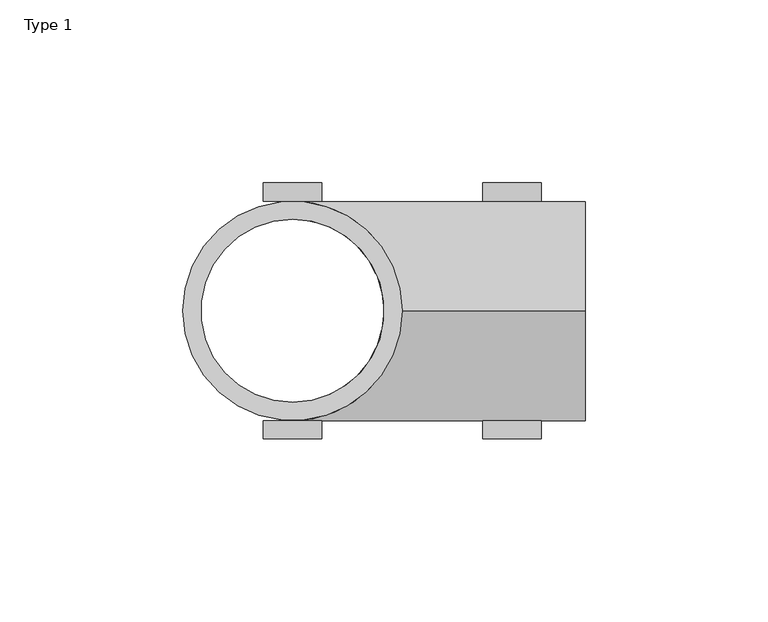
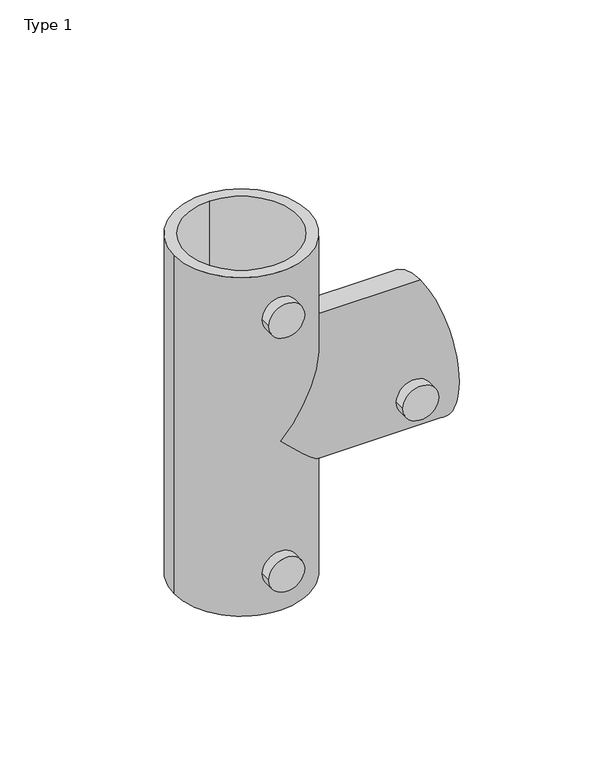
"""IFC4 building model written with IfcOpenShell, lengths in millimetres: proxy geometry, Type 1."""

import ifcopenshell
import ifcopenshell.guid

model = None  # the IFC model being written
_history = None  # IfcOwnerHistory: only IFC2X3 demands one
_inside = {}  # id of a spatial element -> (the spatial element, [elements in it])
_under = {}  # id of a project, library or spatial element -> (it, [spatial elements below it])
_declared = {}  # id of a project -> (the project, [libraries it declares])
_typed = {}  # id of a type object -> (the type object, [elements of that type])
_made_of = {}  # id of a material, layer set ... -> (it, [elements and type objects made of it])


def new_model(schema):
    """Start an empty IFC model of exactly this schema.

    Asked for "IFC4X3", IfcOpenShell would pick the latest addendum, in which some entities
    have other attributes; the version numbers below select the first issue.
    IFC2X3 requires an IfcOwnerHistory on every rooted entity: one is made here for all.
    """
    global model, _history
    if schema == "IFC4X3":
        model = ifcopenshell.file(schema_version=(4, 3, 0, 0))
    else:
        model = ifcopenshell.file(schema=schema)
    _inside.clear()
    _under.clear()
    _declared.clear()
    _typed.clear()
    _made_of.clear()
    _history = None
    if model.schema == "IFC2X3":
        org = make("IfcOrganization", Name="unknown")
        user = make(
            "IfcPersonAndOrganization",
            ThePerson=make("IfcPerson", FamilyName="unknown"),
            TheOrganization=org,
        )
        app = make(
            "IfcApplication",
            ApplicationDeveloper=org,
            Version="unknown",
            ApplicationFullName="unknown",
            ApplicationIdentifier="unknown",
        )
        _history = make(
            "IfcOwnerHistory",
            OwningUser=user,
            OwningApplication=app,
            ChangeAction="ADDED",
            CreationDate=0,
        )
    return model


def make(cls, **values):
    """One entity of the class cls with the attributes given. An attribute that is None is left unset."""
    return model.create_entity(
        cls, **{name: value for name, value in values.items() if value is not None}
    )


def rooted(cls, **values):
    """An entity with a GlobalId (a new one), such as an element, a storey or a relation."""
    return make(cls, GlobalId=ifcopenshell.guid.new(), OwnerHistory=_history, **values)


def si_unit(unit_type, name, prefix=None):
    """IfcSIUnit, for example si_unit("LENGTHUNIT", "METRE", prefix="MILLI")."""
    return make("IfcSIUnit", UnitType=unit_type, Prefix=prefix, Name=name)


def assignment(units):
    """IfcUnitAssignment: the units of a project."""
    return None if units is None else make("IfcUnitAssignment", Units=units)


def point(xyz):
    """IfcCartesianPoint."""
    return None if xyz is None else make("IfcCartesianPoint", Coordinates=xyz)


def direction(xyz):
    """IfcDirection."""
    return None if xyz is None else make("IfcDirection", DirectionRatios=xyz)


def frame(location, z_axis=None, x_axis=None):
    """IfcAxis2Placement3D, a coordinate frame: its origin and axes. An axis left out is left unset."""
    return make(
        "IfcAxis2Placement3D",
        Location=point(location),
        Axis=direction(z_axis),
        RefDirection=direction(x_axis),
    )


def frame_2d(location, x_axis=None):
    """IfcAxis2Placement2D, a coordinate frame in the plane: its origin and x axis."""
    return make(
        "IfcAxis2Placement2D", Location=point(location), RefDirection=direction(x_axis)
    )


def origin():
    """The frame at (0, 0, 0) with its axes left unset."""
    return frame((0.0, 0.0, 0.0))


def origin_with_axes():
    """The frame at (0, 0, 0) with the z axis (0, 0, 1) and the x axis (1, 0, 0) written out."""
    return frame((0.0, 0.0, 0.0), z_axis=(0.0, 0.0, 1.0), x_axis=(1.0, 0.0, 0.0))


def place(relative_to, where):
    """IfcLocalPlacement: puts the frame where relative to a parent placement (None: the world)."""
    return make(
        "IfcLocalPlacement", PlacementRelTo=relative_to, RelativePlacement=where
    )


def context(
    kind, dimensions, precision=None, world=None, true_north=None, identifier=None
):
    """IfcGeometricRepresentationContext, for example the 3D "Model" context."""
    return make(
        "IfcGeometricRepresentationContext",
        ContextIdentifier=identifier,
        ContextType=kind,
        CoordinateSpaceDimension=dimensions,
        Precision=precision,
        WorldCoordinateSystem=world,
        TrueNorth=true_north,
    )


def project(units=None, contexts=None):
    """IfcProject with its units and contexts."""
    return rooted(
        "IfcProject",
        Name="project",
        RepresentationContexts=contexts,
        UnitsInContext=assignment(units),
    )


def spatial(cls, under=None, at=None, **own):
    """A site, building, storey or space (cls), placed at a placement, below another one or the project."""
    s = rooted(cls, ObjectPlacement=at, **own)
    if under is not None:
        _under.setdefault(under.id(), (under, []))[1].append(s)
    return s


def polyline(points):
    """IfcPolyline through the points."""
    return make("IfcPolyline", Points=[point(p) for p in points])


def circle_curve(where, radius):
    """IfcCircle in the frame where."""
    return make("IfcCircle", Position=where, Radius=radius)


def ellipse_curve(where, semi_axis1, semi_axis2):
    """IfcEllipse in the frame where."""
    return make(
        "IfcEllipse", Position=where, SemiAxis1=semi_axis1, SemiAxis2=semi_axis2
    )


def trimmed(basis, trim1, trim2, sense, master):
    """IfcTrimmedCurve: the piece of a basis curve between two trims."""
    return make(
        "IfcTrimmedCurve",
        BasisCurve=basis,
        Trim1=trim1,
        Trim2=trim2,
        SenseAgreement=sense,
        MasterRepresentation=master,
    )


def segment(curve, same_sense, transition):
    """IfcCompositeCurveSegment."""
    return make(
        "IfcCompositeCurveSegment",
        Transition=transition,
        SameSense=same_sense,
        ParentCurve=curve,
    )


def composite_curve(segments, self_intersect=None):
    """IfcCompositeCurve: segments joined end to end."""
    return make("IfcCompositeCurve", Segments=segments, SelfIntersect=self_intersect)


def outline(outer, holes=None, kind="AREA"):
    """IfcArbitraryClosedProfileDef: a profile drawn as a closed curve; with holes, ...WithVoids."""
    if holes is None:
        return make("IfcArbitraryClosedProfileDef", ProfileType=kind, OuterCurve=outer)
    return make(
        "IfcArbitraryProfileDefWithVoids",
        ProfileType=kind,
        OuterCurve=outer,
        InnerCurves=holes,
    )


def extrude(swept, where, along, depth):
    """IfcExtrudedAreaSolid: the profile swept, set in the frame where, extruded along a direction by depth."""
    return make(
        "IfcExtrudedAreaSolid",
        SweptArea=swept,
        Position=where,
        ExtrudedDirection=direction(along),
        Depth=depth,
    )


def shape(context_of_items, identifier, shape_type, items):
    """IfcShapeRepresentation: the items that make up one representation, for example the "Body"."""
    return make(
        "IfcShapeRepresentation",
        ContextOfItems=context_of_items,
        RepresentationIdentifier=identifier,
        RepresentationType=shape_type,
        Items=items,
    )


def source(mapping_origin, context_of_items, identifier, shape_type, items):
    """IfcRepresentationMap: a shape defined once, which mapped items show again and again."""
    return make(
        "IfcRepresentationMap",
        MappingOrigin=mapping_origin,
        MappedRepresentation=shape(context_of_items, identifier, shape_type, items),
    )


def transform(
    local_origin,
    x_axis=None,
    y_axis=None,
    z_axis=None,
    scale=None,
    scale2=None,
    scale3=None,
    uniform=True,
):
    """IfcCartesianTransformationOperator3D, or its non-uniform kind. x_axis, y_axis, z_axis: its Axis1, 2, 3."""
    if uniform:
        return make(
            "IfcCartesianTransformationOperator3D",
            Axis1=direction(x_axis),
            Axis2=direction(y_axis),
            LocalOrigin=point(local_origin),
            Scale=scale,
            Axis3=direction(z_axis),
        )
    return make(
        "IfcCartesianTransformationOperator3DnonUniform",
        Axis1=direction(x_axis),
        Axis2=direction(y_axis),
        LocalOrigin=point(local_origin),
        Scale=scale,
        Axis3=direction(z_axis),
        Scale2=scale2,
        Scale3=scale3,
    )


def mapped(mapping_source, mapping_target):
    """IfcMappedItem: shows the shape of a source again, moved by a transform."""
    return make(
        "IfcMappedItem", MappingSource=mapping_source, MappingTarget=mapping_target
    )


def made_of(thing, what):
    """Note that an element or type object is made of a material, layer set ...; save() writes the relation."""
    if what is not None:
        _made_of.setdefault(what.id(), (what, []))[1].append(thing)
    return thing


def element(
    cls,
    number,
    at=None,
    inside=None,
    cuts=None,
    type_object=None,
    material=None,
    context=None,
    identifier="Body",
    shape_type=None,
    held_by="IfcProductDefinitionShape",
    body=None,
    shapes=None,
    **own,
):
    """One element of the class cls, such as IfcWall. Its Tag is "e" and its number.

    at: its placement. inside: the storey or other place that contains it. cuts: it is an
    opening in that element (IfcRelVoidsElement). A single representation is given by context,
    identifier, shape_type and body (its items); several are given by shapes. held_by: the class
    of the entity that holds the representations. save() writes the other relations.
    """
    e = rooted(cls, Tag="e%d" % number, ObjectPlacement=at, **own)
    if body is not None:
        shapes = [shape(context, identifier, shape_type, body)]
    if shapes is not None:
        e.Representation = make(held_by, Representations=shapes)
    if inside is not None:
        _inside.setdefault(inside.id(), (inside, []))[1].append(e)
    if cuts is not None:
        rooted(
            "IfcRelVoidsElement", RelatingBuildingElement=cuts, RelatedOpeningElement=e
        )
    if type_object is not None:
        _typed.setdefault(type_object.id(), (type_object, []))[1].append(e)
    return made_of(e, material)


def aggregate(whole, parts):
    """IfcRelAggregates: a whole, such as a stair, and the parts it consists of."""
    return rooted("IfcRelAggregates", RelatingObject=whole, RelatedObjects=parts)


def save(model, path):
    """Write the relations noted so far, then the file.

    IfcRelAggregates (storeys below a building ...), IfcRelContainedInSpatialStructure (elements
    in a storey), IfcRelDefinesByType, IfcRelAssociatesMaterial and IfcRelDeclares: one each for
    every whole, place, type object, material and project.
    """
    for whole, parts in _under.values():
        aggregate(whole, parts)
    for where, things in _inside.values():
        rooted(
            "IfcRelContainedInSpatialStructure",
            RelatedElements=things,
            RelatingStructure=where,
        )
    for kind, things in _typed.values():
        rooted("IfcRelDefinesByType", RelatedObjects=things, RelatingType=kind)
    for what, things in _made_of.values():
        rooted("IfcRelAssociatesMaterial", RelatedObjects=things, RelatingMaterial=what)
    for by, libraries in _declared.values():
        rooted("IfcRelDeclares", RelatingContext=by, RelatedDefinitions=libraries)
    model.write(path)


def plane_surface(at):
    """IfcPlane: the flat surface through the origin of the frame at, square to its z axis."""
    return make("IfcPlane", Position=at)


def cylinder_surface(at, radius):
    """IfcCylindricalSurface: all points at the distance radius from the z axis of the frame at."""
    return make("IfcCylindricalSurface", Position=at, Radius=radius)


def revolved_surface(curve, axis_point, axis_direction):
    """IfcSurfaceOfRevolution: the curve turned about the line through axis_point along axis_direction."""
    return make(
        "IfcSurfaceOfRevolution",
        SweptCurve=make("IfcArbitraryOpenProfileDef", ProfileType="CURVE", Curve=curve),
        AxisPosition=make("IfcAxis1Placement", Location=point(axis_point), Axis=direction(axis_direction)),
    )


def advanced_brep(points, edges, surfaces, faces):
    """IfcAdvancedBrep: a solid bounded by faces that lie on surfaces and meet in shared edges.

    An edge is (start, end): straight between two places in points (the first is 0);
    or (start, end, curve); or (start, end, curve, False) where it runs against its curve.
    A face is (place in surfaces, loops), or (place, loops, False) where it looks against
    its surface's normal. A loop lists edges by number (the first is 1), with a minus sign
    where the edge is run from its end to its start. The first loop is the outer one.
    """
    corners = [point(p) for p in points]
    vertices = [make("IfcVertexPoint", VertexGeometry=c) for c in corners]
    made = []
    for start, end, *more in edges:
        made.append(
            make(
                "IfcEdgeCurve",
                EdgeStart=vertices[start],
                EdgeEnd=vertices[end],
                EdgeGeometry=more[0] if more else make("IfcPolyline", Points=[corners[start], corners[end]]),
                SameSense=more[1] if len(more) > 1 else True,
            )
        )
    hull = []
    for where, loops, *sense in faces:
        bounds = []
        for j, loop in enumerate(loops):
            ring = [make("IfcOrientedEdge", EdgeElement=made[abs(k) - 1], Orientation=k > 0) for k in loop]
            bounds.append(
                make(
                    "IfcFaceOuterBound" if j == 0 else "IfcFaceBound",
                    Bound=make("IfcEdgeLoop", EdgeList=ring),
                    Orientation=True,
                )
            )
        hull.append(make("IfcAdvancedFace", Bounds=bounds, FaceSurface=surfaces[where], SameSense=sense[0] if sense else True))
    return make("IfcAdvancedBrep", Outer=make("IfcClosedShell", CfsFaces=hull))


def type_1_07108955(model_context):
    return source(origin(), model_context, "Body", "SolidModel", [
        extrude(outline(composite_curve([segment(trimmed(circle_curve(frame_2d((140.0, 0.0)), 8.0), [point((140.0, -8.0))], [point((140.0, 8.0))], False, "CARTESIAN"), True, "CONTINUOUS"), segment(trimmed(circle_curve(frame_2d((140.0, 0.0)), 8.0), [point((140.0, 8.0))], [point((140.0, -8.0))], False, "CARTESIAN"), True, "CONTINUOUS")], self_intersect=False)), frame((0.0, 30.0, 0.0), z_axis=(0.0, 1.0, 0.0), x_axis=(0.0, 0.0, 1.0)), (0.0, 0.0, 1.0), 5.0),
        extrude(outline(composite_curve([segment(trimmed(circle_curve(frame_2d((80.0, 60.0)), 8.0), [point((80.0, 52.0))], [point((80.0, 68.0))], False, "CARTESIAN"), True, "CONTINUOUS"), segment(trimmed(circle_curve(frame_2d((80.0, 60.0)), 8.0), [point((80.0, 68.0))], [point((80.0, 52.0))], False, "CARTESIAN"), True, "CONTINUOUS")], self_intersect=False)), frame((0.0, 30.0, 0.0), z_axis=(0.0, 1.0, 0.0), x_axis=(0.0, 0.0, 1.0)), (0.0, 0.0, 1.0), 5.0),
        extrude(outline(composite_curve([segment(trimmed(circle_curve(frame_2d((20.0, 0.0)), 8.0), [point((20.0, -8.0))], [point((20.0, 8.0))], False, "CARTESIAN"), True, "CONTINUOUS"), segment(trimmed(circle_curve(frame_2d((20.0, 0.0)), 8.0), [point((20.0, 8.0))], [point((20.0, -8.0))], False, "CARTESIAN"), True, "CONTINUOUS")], self_intersect=False)), frame((0.0, 30.0, 0.0), z_axis=(0.0, 1.0, 0.0), x_axis=(0.0, 0.0, 1.0)), (0.0, 0.0, 1.0), 5.0),
        extrude(outline(composite_curve([segment(trimmed(circle_curve(frame_2d((140.0, 0.0)), 8.0), [point((140.0, -8.0))], [point((140.0, 8.0))], False, "CARTESIAN"), True, "CONTINUOUS"), segment(trimmed(circle_curve(frame_2d((140.0, 0.0)), 8.0), [point((140.0, 8.0))], [point((140.0, -8.0))], False, "CARTESIAN"), True, "CONTINUOUS")], self_intersect=False)), frame((0.0, -35.0, 0.0), z_axis=(0.0, 1.0, 0.0), x_axis=(0.0, 0.0, 1.0)), (0.0, 0.0, 1.0), 5.0),
        extrude(outline(composite_curve([segment(trimmed(circle_curve(frame_2d((80.0, 60.0)), 8.0), [point((80.0, 52.0))], [point((80.0, 68.0))], False, "CARTESIAN"), True, "CONTINUOUS"), segment(trimmed(circle_curve(frame_2d((80.0, 60.0)), 8.0), [point((80.0, 68.0))], [point((80.0, 52.0))], False, "CARTESIAN"), True, "CONTINUOUS")], self_intersect=False)), frame((0.0, -35.0, 0.0), z_axis=(0.0, 1.0, 0.0), x_axis=(0.0, 0.0, 1.0)), (0.0, 0.0, 1.0), 5.0),
        extrude(outline(composite_curve([segment(trimmed(circle_curve(frame_2d((20.0, 0.0)), 8.0), [point((20.0, -8.0))], [point((20.0, 8.0))], False, "CARTESIAN"), True, "CONTINUOUS"), segment(trimmed(circle_curve(frame_2d((20.0, 0.0)), 8.0), [point((20.0, 8.0))], [point((20.0, -8.0))], False, "CARTESIAN"), True, "CONTINUOUS")], self_intersect=False)), frame((0.0, -35.0, 0.0), z_axis=(0.0, 1.0, 0.0), x_axis=(0.0, 0.0, 1.0)), (0.0, 0.0, 1.0), 5.0),
        advanced_brep(
        [(-30.0, 0.0, 160.0), (30.0, 0.0, 160.0), (0.0, -25.0, 160.0), (0.0, 25.0, 160.0), (-30.0, 0.0, 0.0), (30.0, 0.0, 0.0), (0.0, 25.0, 0.0), (0.0, -25.0, 0.0), (30.0, 0.0, 50.0), (0.0, -30.0, 80.0), (30.0, 0.0, 110.0), (0.0, 30.0, 80.0), (80.0, 0.0, 110.0), (80.0, 0.0, 50.0), (80.0, 0.0, 105.0), (80.0, 0.0, 55.0), (25.0, 0.0, 105.0), (0.0, 25.0, 80.0), (25.0, 0.0, 55.0), (0.0, -25.0, 80.0)],
        [
            (0, 1, circle_curve(frame((0.0, 0.0, 160.0), z_axis=(0.0, 0.0, 1.0), x_axis=(1.0, 0.0, 0.0)), 30.0)),
            (1, 0, circle_curve(frame((0.0, 0.0, 160.0), z_axis=(0.0, 0.0, 1.0), x_axis=(1.0, 0.0, 0.0)), 30.0)),
            (2, 3, circle_curve(frame((0.0, 0.0, 160.0), z_axis=(0.0, 0.0, -1.0), x_axis=(0.0, 1.0, 0.0)), 25.0)),
            (3, 2, circle_curve(frame((0.0, 0.0, 160.0), z_axis=(0.0, 0.0, -1.0), x_axis=(0.0, 1.0, 0.0)), 25.0)),
            (4, 5, circle_curve(frame((0.0, 0.0, 0.0), z_axis=(0.0, 0.0, -1.0), x_axis=(1.0, 0.0, 0.0)), 30.0)),
            (5, 4, circle_curve(frame((0.0, 0.0, 0.0), z_axis=(0.0, 0.0, -1.0), x_axis=(1.0, 0.0, 0.0)), 30.0)),
            (6, 7, circle_curve(frame((0.0, 0.0, 0.0), z_axis=(0.0, 0.0, 1.0), x_axis=(0.0, 1.0, 0.0)), 25.0)),
            (7, 6, circle_curve(frame((0.0, 0.0, 0.0), z_axis=(0.0, 0.0, 1.0), x_axis=(0.0, 1.0, 0.0)), 25.0)),
            (0, 4),
            (5, 8),
            (8, 9, ellipse_curve(frame((0.0, 0.0, 80.0), z_axis=(-0.707106781186548, 0.0, -0.707106781186547), x_axis=(-0.7071067811865469, 0.0, 0.707106781186548)), 42.4264069, 30.0)),
            (9, 10, ellipse_curve(frame((0.0, 0.0, 80.0), z_axis=(-0.707106781186547, 0.0, 0.707106781186548), x_axis=(0.707106781186548, 0.0, 0.7071067811865469)), 42.4264069, 30.0)),
            (10, 1),
            (10, 11, ellipse_curve(frame((0.0, 0.0, 80.0), z_axis=(-0.707106781186547, 0.0, 0.707106781186548), x_axis=(0.707106781186548, 0.0, 0.7071067811865469)), 42.4264069, 30.0)),
            (11, 8, ellipse_curve(frame((0.0, 0.0, 80.0), z_axis=(-0.707106781186548, 0.0, -0.707106781186547), x_axis=(-0.7071067811865469, 0.0, 0.707106781186548)), 42.4264069, 30.0)),
            (12, 13, circle_curve(frame((80.0, 0.0, 80.0), z_axis=(1.0, 0.0, 0.0), x_axis=(0.0, 0.0, -1.0)), 30.0)),
            (13, 12, circle_curve(frame((80.0, 0.0, 80.0), z_axis=(1.0, 0.0, 0.0), x_axis=(0.0, 0.0, -1.0)), 30.0)),
            (14, 15, circle_curve(frame((80.0, 0.0, 80.0), z_axis=(-1.0, 0.0, 0.0), x_axis=(0.0, 0.0, 1.0)), 25.0)),
            (15, 14, circle_curve(frame((80.0, 0.0, 80.0), z_axis=(-1.0, 0.0, 0.0), x_axis=(0.0, 0.0, 1.0)), 25.0)),
            (13, 8),
            (10, 12),
            (14, 16),
            (16, 17, ellipse_curve(frame((0.0, 0.0, 80.0), z_axis=(-0.7071067811865469, 0.0, 0.707106781186548), x_axis=(0.7071067811865482, 0.0, 0.7071067811865468)), 35.3553391, 25.0)),
            (17, 18, ellipse_curve(frame((0.0, 0.0, 80.0), z_axis=(-0.707106781186548, 0.0, -0.7071067811865469), x_axis=(0.707106781186547, 0.0, -0.7071067811865478)), 35.3553391, 25.0)),
            (18, 15),
            (18, 19, ellipse_curve(frame((0.0, 0.0, 80.0), z_axis=(-0.707106781186548, 0.0, -0.7071067811865469), x_axis=(0.707106781186547, 0.0, -0.7071067811865478)), 35.3553391, 25.0)),
            (19, 16, ellipse_curve(frame((0.0, 0.0, 80.0), z_axis=(-0.7071067811865469, 0.0, 0.707106781186548), x_axis=(0.7071067811865482, 0.0, 0.7071067811865468)), 35.3553391, 25.0)),
            (6, 17),
            (17, 3),
            (2, 19),
            (19, 7),
        ],
        [
            plane_surface(frame((30.0, 0.0, 160.0), z_axis=(0.0, 0.0, 1.0), x_axis=(0.0, 1.0, 0.0))),
            plane_surface(frame((30.0, 0.0, 0.0), z_axis=(0.0, 0.0, -1.0), x_axis=(0.0, -1.0, 0.0))),
            cylinder_surface(origin_with_axes(), 30.0),
            plane_surface(frame((80.0, 0.0, 50.0), z_axis=(1.0, 0.0, 0.0), x_axis=(0.0, 1.0, 0.0))),
            cylinder_surface(frame((80.0, 0.0, 80.0), z_axis=(-1.0, 0.0, 0.0), x_axis=(0.0, 0.0, -1.0)), 30.0),
            revolved_surface(polyline([(80.0, 0.0, 105.0), (-25.000000028759914, 0.0, 105.0)]), (0.0, 0.0, 80.0), (1.0, 0.0, 0.0)),
            revolved_surface(polyline([(0.0, 25.0, 0.0), (0.0, 25.0, 160.0)]), (0.0, 0.0, 160.0), (0.0, 0.0, -1.0)),
            revolved_surface(polyline([(0.0, 25.0, 0.0), (0.0, 25.0, 105.0000000287599)]), (0.0, 0.0, 160.0), (0.0, 0.0, -1.0)),
            revolved_surface(polyline([(0.0, 25.0, 54.99999997124013), (0.0, 25.0, 160.0)]), (0.0, 0.0, 160.0), (0.0, 0.0, -1.0)),
        ],
        [
            (0, [[1, 2], [3, 4]]),
            (1, [[5, 6], [7, 8]]),
            (2, [[-1, 9, -6, 10, 11, 12, 13]]),
            (2, [[-2, -13, 14, 15, -10, -5, -9]]),
            (3, [[16, 17], [18, 19]]),
            (4, [[-17, 20, -15, -14, 21]]),
            (4, [[-16, -21, -12, -11, -20]]),
            (5, [[-18, 22, 23, 24, 25]]),
            (5, [[-19, -25, 26, 27, -22]]),
            (6, [[28, 29, -3, 30, 31, -7]]),
            (7, [[-28, -8, -31, -26, -24]]),
            (8, [[-29, -23, -27, -30, -4]]),
        ],
    ),
    ])


if __name__ == "__main__":
    model = new_model("IFC4")
    model_context = context("Model", 3, world=origin())
    ifc_project = project(units=[si_unit("LENGTHUNIT", "METRE", prefix="MILLI")], contexts=[model_context])
    site = spatial("IfcSite", under=ifc_project)
    building = spatial("IfcBuilding", under=site)
    placement = place(None, origin())
    type_1_shape = type_1_07108955(model_context)
    element("IfcBuildingElementProxy", 1, Name="Type 1", ObjectType="Type 1", at=placement, inside=building, context=model_context, shape_type="MappedRepresentation", body=[
        mapped(type_1_shape, transform((0.0, 0.0, 0.0), x_axis=(1.0, 0.0, 0.0), y_axis=(0.0, 1.0, 0.0), z_axis=(0.0, 0.0, 1.0))),
    ])
    save(model, "model.ifc")
